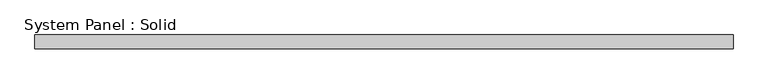
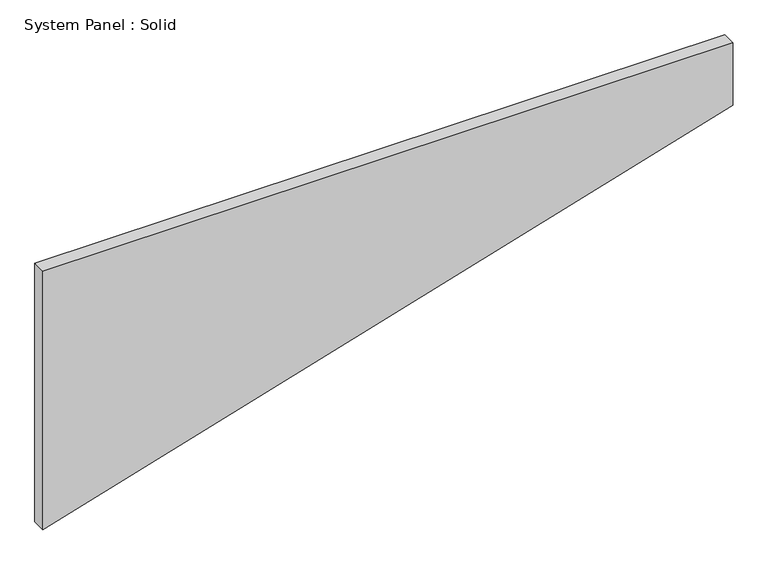
"""IFC4 building model written with IfcOpenShell, lengths in millimetres: plate geometry, System Panel : Solid."""

from ifc_helpers import new_model, si_unit, frame, origin, place, context, project, spatial, polyline, outline, extrude, source, transform, mapped, element, save


def system_panel_solid_7e02b7ce(model_context):
    return source(origin(), model_context, "Body", "SweptSolid", [
        extrude(outline(polyline([(0.0, -1500.0), (901.7511009, 1500.0), (1187.7422934, 1500.0), (1187.7422934, -1500.0), (0.0, -1500.0)])), frame((0.0, -10.5, 0.0), z_axis=(0.0, 1.0, 0.0), x_axis=(0.0, 0.0, 1.0)), (0.0, 0.0, 1.0), 60.0),
    ])


if __name__ == "__main__":
    model = new_model("IFC4")
    model_context = context("Model", 3, world=origin())
    ifc_project = project(units=[si_unit("LENGTHUNIT", "METRE", prefix="MILLI")], contexts=[model_context])
    site = spatial("IfcSite", under=ifc_project)
    building = spatial("IfcBuilding", under=site)
    placement = place(None, origin())
    system_panel_solid_shape = system_panel_solid_7e02b7ce(model_context)
    element("IfcPlate", 1, ObjectType="System Panel : Solid", at=placement, inside=building, context=model_context, shape_type="MappedRepresentation", body=[
        mapped(system_panel_solid_shape, transform((0.0, 0.0, 0.0), x_axis=(1.0, 0.0, 0.0), y_axis=(0.0, 1.0, 0.0), z_axis=(0.0, 0.0, 1.0))),
    ])
    save(model, "model.ifc")
